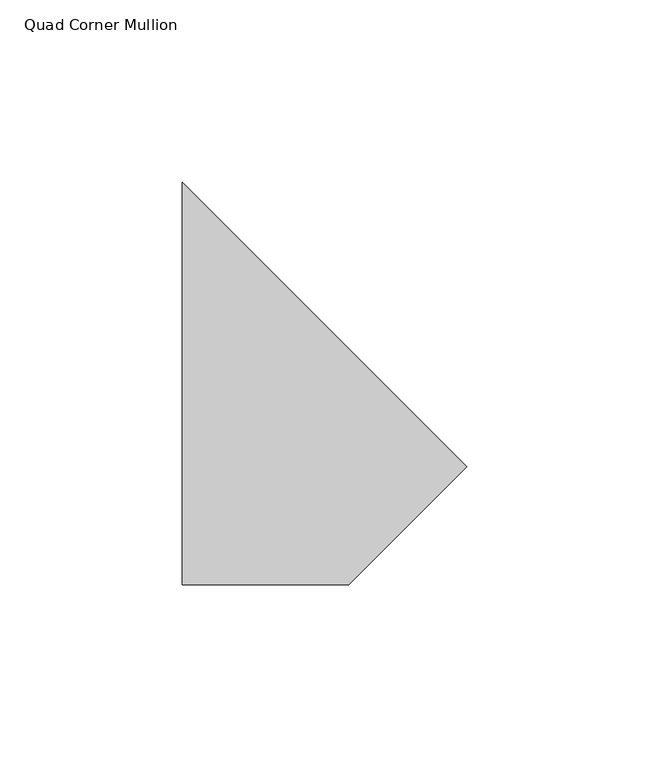
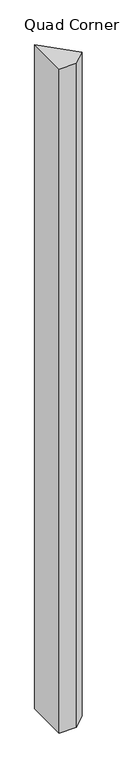
"""IFC4 building model written with IfcOpenShell, lengths in millimetres: member geometry, Quad Corner Mullion."""

from ifc_helpers import new_model, si_unit, frame, origin, place, context, project, spatial, polyline, outline, extrude, source, transform, mapped, element, save


def quad_corner_mullion_a49be74d(model_context):
    return source(origin(), model_context, "Body", "SweptSolid", [
        extrude(outline(polyline([(48.8039851, -7.3927739), (16.4596496, -39.7371094), (-29.2821482, -39.7371094), (-29.2821482, 70.6933594), (48.8039851, -7.3927739)])), frame((0.0, 0.0, -1828.8), z_axis=(0.0, 0.0, 1.0), x_axis=(1.0, 0.0, 0.0)), (0.0, 0.0, 1.0), 1828.8),
    ])


if __name__ == "__main__":
    model = new_model("IFC4")
    model_context = context("Model", 3, world=origin())
    ifc_project = project(units=[si_unit("LENGTHUNIT", "METRE", prefix="MILLI")], contexts=[model_context])
    site = spatial("IfcSite", under=ifc_project)
    building = spatial("IfcBuilding", under=site)
    placement = place(None, origin())
    quad_corner_mullion_shape = quad_corner_mullion_a49be74d(model_context)
    element("IfcMember", 1, ObjectType="Quad Corner Mullion", at=placement, inside=building, context=model_context, shape_type="MappedRepresentation", body=[
        mapped(quad_corner_mullion_shape, transform((0.0, 0.0, 0.0), x_axis=(1.0, 0.0, 0.0), y_axis=(0.0, 1.0, 0.0), z_axis=(0.0, 0.0, 1.0))),
    ])
    save(model, "model.ifc")
